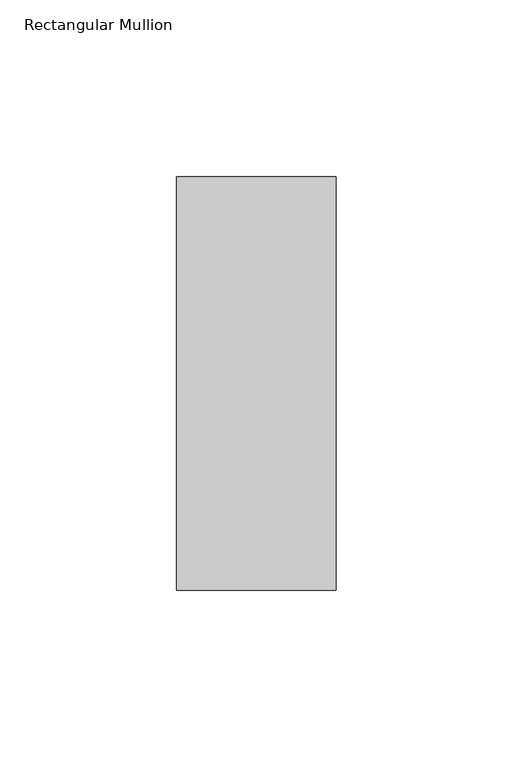
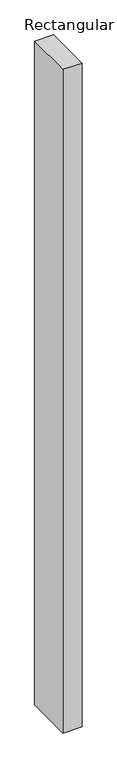
"""IFC4 building model written with IfcOpenShell, lengths in millimetres: member geometry, Rectangular Mullion."""

from ifc_helpers import new_model, si_unit, frame, origin, place, context, project, spatial, polyline, outline, extrude, source, transform, mapped, element, save


def rectangular_mullion_95e11c29(model_context):
    return source(origin(), model_context, "Body", "SweptSolid", [
        extrude(outline(polyline([(-45.0453125, 73.875), (0.0, 73.875), (0.0, -42.8257813), (-45.0453125, -42.8257813), (-45.0453125, 73.875)])), frame((0.0, 0.0, -1665.2701476), z_axis=(0.0, 0.0, 1.0), x_axis=(1.0, 0.0, 0.0)), (0.0, 0.0, 1.0), 1665.2701476),
    ])


if __name__ == "__main__":
    model = new_model("IFC4")
    model_context = context("Model", 3, world=origin())
    ifc_project = project(units=[si_unit("LENGTHUNIT", "METRE", prefix="MILLI")], contexts=[model_context])
    site = spatial("IfcSite", under=ifc_project)
    building = spatial("IfcBuilding", under=site)
    placement = place(None, origin())
    rectangular_mullion_shape = rectangular_mullion_95e11c29(model_context)
    element("IfcMember", 1, ObjectType="Rectangular Mullion", at=placement, inside=building, context=model_context, shape_type="MappedRepresentation", body=[
        mapped(rectangular_mullion_shape, transform((0.0, 0.0, 0.0), x_axis=(1.0, 0.0, 0.0), y_axis=(0.0, 1.0, 0.0), z_axis=(0.0, 0.0, 1.0))),
    ])
    save(model, "model.ifc")
